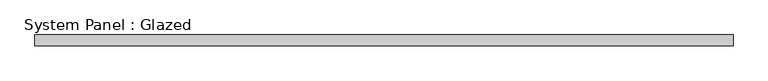
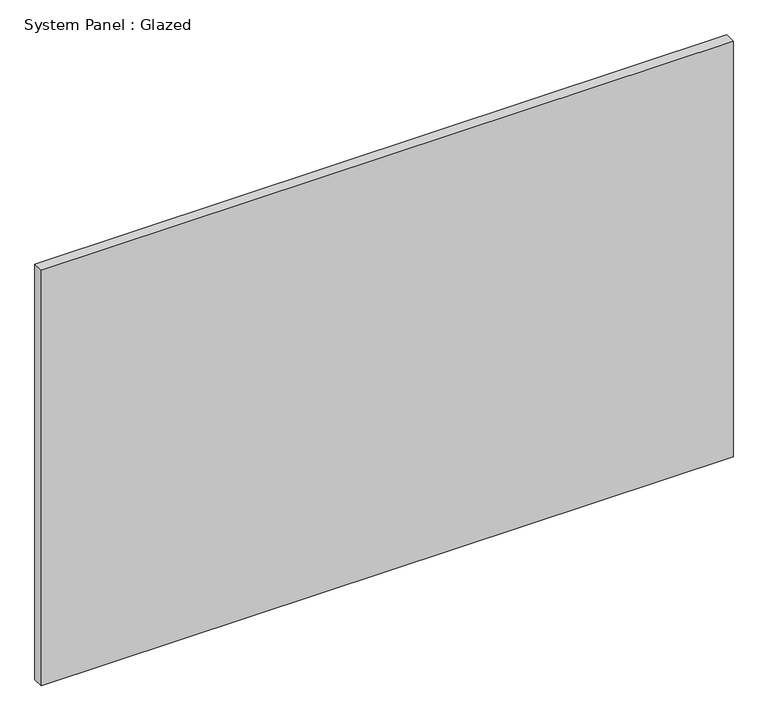
"""IFC4 building model written with IfcOpenShell, lengths in millimetres: plate geometry, System Panel : Glazed."""

from ifc_helpers import new_model, si_unit, origin, origin_with_axes, place, context, project, spatial, polyline, outline, extrude, source, transform, mapped, element, save


def system_panel_glazed_ea5b6cfa(model_context):
    return source(origin(), model_context, "Body", "SweptSolid", [
        extrude(outline(polyline([(787.5, 24.5), (-787.5, 24.5), (-787.5, 49.5), (787.5, 49.5), (787.5, 24.5)])), origin_with_axes(), (0.0, 0.0, 1.0), 1000.0),
    ])


if __name__ == "__main__":
    model = new_model("IFC4")
    model_context = context("Model", 3, world=origin())
    ifc_project = project(units=[si_unit("LENGTHUNIT", "METRE", prefix="MILLI")], contexts=[model_context])
    site = spatial("IfcSite", under=ifc_project)
    building = spatial("IfcBuilding", under=site)
    placement = place(None, origin())
    system_panel_glazed_shape = system_panel_glazed_ea5b6cfa(model_context)
    element("IfcPlate", 1, ObjectType="System Panel : Glazed", at=placement, inside=building, context=model_context, shape_type="MappedRepresentation", body=[
        mapped(system_panel_glazed_shape, transform((0.0, 0.0, 0.0), x_axis=(1.0, 0.0, 0.0), y_axis=(0.0, 1.0, 0.0), z_axis=(0.0, 0.0, 1.0))),
    ])
    save(model, "model.ifc")
